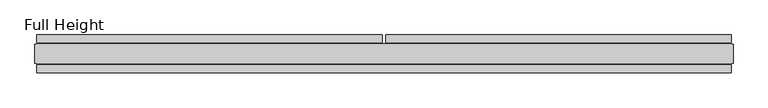
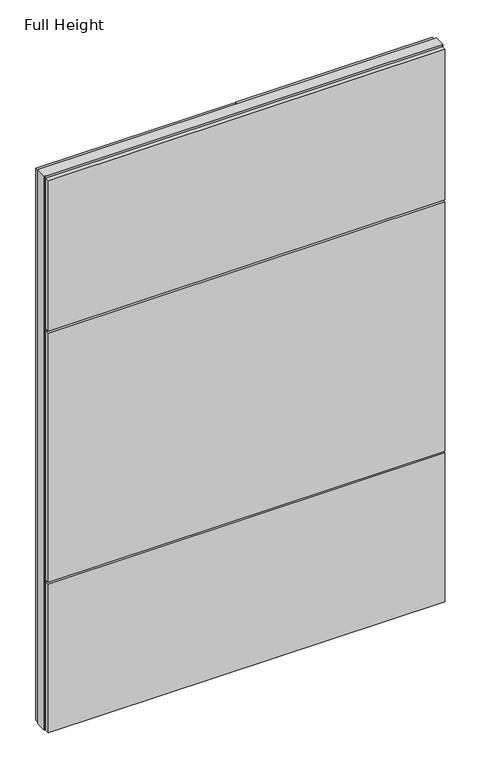
"""IFC4 building model written with IfcOpenShell, lengths in millimetres: plate geometry, Full Height."""

from ifc_helpers import new_model, si_unit, frame, origin, origin_with_axes, place, context, project, spatial, polyline, outline, extrude, source, transform, mapped, element, save


def full_height_f1890111(model_context):
    return source(origin(), model_context, "Body", "SweptSolid", [
        extrude(outline(polyline([(909.828, 28.956), (4.572, 28.956), (4.572, 49.53), (909.828, 49.53), (909.828, 28.956)])), origin_with_axes(), (0.0, 0.0, 1.0), 2679.192),
        extrude(outline(polyline([(-909.828, 49.53), (-4.572, 49.53), (-4.572, 28.956), (-909.828, 28.956), (-909.828, 49.53)])), origin_with_axes(), (0.0, 0.0, 1.0), 2679.192),
        extrude(outline(polyline([(909.828, -28.956), (909.828, -49.53), (-909.828, -49.53), (-909.828, -28.956), (909.828, -28.956)])), frame((0.0, 0.0, 1949.196), z_axis=(0.0, 0.0, 1.0), x_axis=(1.0, 0.0, 0.0)), (0.0, 0.0, 1.0), 729.996),
        extrude(outline(polyline([(909.828, -28.956), (909.828, -49.53), (-909.828, -49.53), (-909.828, -28.956), (909.828, -28.956)])), frame((0.0, 0.0, 729.996), z_axis=(0.0, 0.0, 1.0), x_axis=(1.0, 0.0, 0.0)), (0.0, 0.0, 1.0), 1210.056),
        extrude(outline(polyline([(909.828, -28.956), (909.828, -49.53), (-909.828, -49.53), (-909.828, -28.956), (909.828, -28.956)])), origin_with_axes(), (0.0, 0.0, 1.0), 720.852),
        extrude(outline(polyline([(909.828, -25.146), (909.828, -26.67), (-909.828, -26.67), (-909.828, -25.146), (-914.4, -25.146), (-914.4, 25.146), (-909.828, 25.146), (-909.828, 26.67), (909.828, 26.67), (909.828, 25.146), (914.4, 25.146), (914.4, -25.146), (909.828, -25.146)])), origin_with_axes(), (0.0, 0.0, 1.0), 2688.336),
    ])


if __name__ == "__main__":
    model = new_model("IFC4")
    model_context = context("Model", 3, world=origin())
    ifc_project = project(units=[si_unit("LENGTHUNIT", "METRE", prefix="MILLI")], contexts=[model_context])
    site = spatial("IfcSite", under=ifc_project)
    building = spatial("IfcBuilding", under=site)
    placement = place(None, origin())
    full_height_shape = full_height_f1890111(model_context)
    element("IfcPlate", 1, ObjectType="Full Height", at=placement, inside=building, context=model_context, shape_type="MappedRepresentation", body=[
        mapped(full_height_shape, transform((0.0, 0.0, 0.0), x_axis=(1.0, 0.0, 0.0), y_axis=(0.0, 1.0, 0.0), z_axis=(0.0, 0.0, 1.0))),
    ])
    save(model, "model.ifc")
